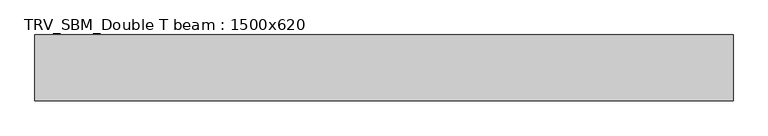
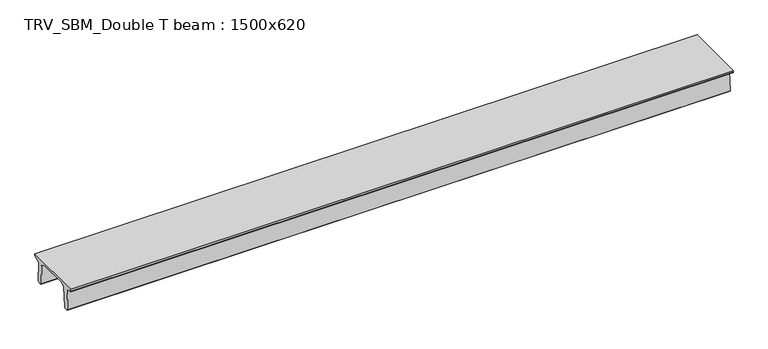
"""IFC4 building model written with IfcOpenShell, lengths in millimetres: beam geometry, TRV_SBM_Double T beam : 1500x620."""

from ifc_helpers import new_model, si_unit, frame, origin, place, context, project, spatial, polyline, outline, extrude, source, transform, mapped, element, save


def trv_sbm_double_t_beam_1500x620_9cac0cc3(model_context):
    return source(origin(), model_context, "Body", "SweptSolid", [
        extrude(outline(polyline([(-765.0, 215.0), (-765.0, 260.0), (735.0, 260.0), (735.0, 215.0), (728.2094488, 201.315559), (578.0626443, 140.6523122), (594.8277662, -339.4379646), (574.2657308, -360.0), (484.2657308, -360.0), (464.786332, -340.5206011), (447.8600761, 144.18395), (338.3237744, 210.0), (-367.4555014, 210.0), (-476.5389732, 151.9992892), (-507.0080378, -339.3850967), (-527.622941, -360.0), (-615.122941, -360.0), (-637.1143055, -338.0086356), (-606.1572167, 162.687806), (-761.3068466, 204.260024), (-765.0, 215.0)])), frame((-7972.5, 0.0, 0.0), z_axis=(1.0, 0.0, 0.0), x_axis=(0.0, 1.0, 0.0)), (0.0, 0.0, 1.0), 15945.0),
    ])


if __name__ == "__main__":
    model = new_model("IFC4")
    model_context = context("Model", 3, world=origin())
    ifc_project = project(units=[si_unit("LENGTHUNIT", "METRE", prefix="MILLI")], contexts=[model_context])
    site = spatial("IfcSite", under=ifc_project)
    building = spatial("IfcBuilding", under=site)
    placement = place(None, origin())
    trv_sbm_double_t_beam_1500x620_shape = trv_sbm_double_t_beam_1500x620_9cac0cc3(model_context)
    element("IfcBeam", 1, ObjectType="TRV_SBM_Double T beam : 1500x620", at=placement, inside=building, context=model_context, shape_type="MappedRepresentation", body=[
        mapped(trv_sbm_double_t_beam_1500x620_shape, transform((0.0, 0.0, 0.0), x_axis=(1.0, 0.0, 0.0), y_axis=(0.0, 1.0, 0.0), z_axis=(0.0, 0.0, 1.0))),
    ])
    save(model, "model.ifc")
